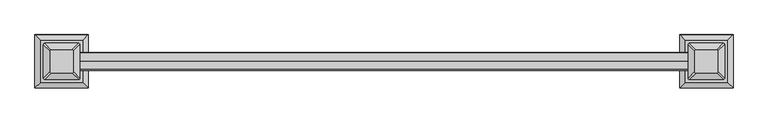
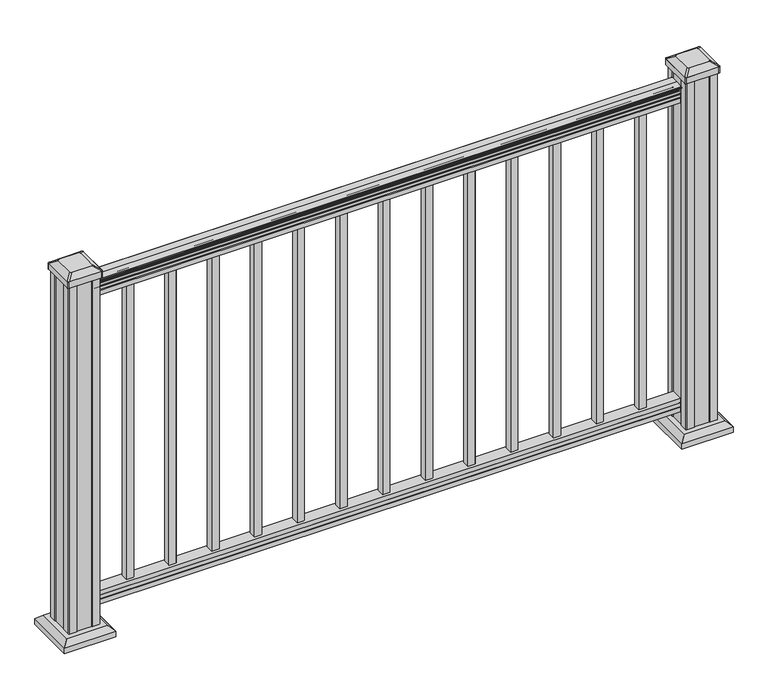
"""IFC4 building model written with IfcOpenShell, lengths in millimetres: railing geometry."""

from ifc_helpers import new_model, si_unit, point, frame, frame_2d, origin, origin_with_axes, place, context, project, spatial, polyline, circle_curve, trimmed, segment, composite_curve, outline, extrude, faceted_brep, source, transform, mapped, element, save
from ifc_brep_helpers import plane_surface, cylinder_surface, revolved_surface, extruded_surface, advanced_brep


def railing_79ebd47e(model_context):
    return source(origin(), model_context, "Body", "SolidModel", [
        advanced_brep(
        [(17656.2111611, 4568.1559745, 938.4043297), (17656.2111611, 4565.5821458, 938.4043297), (17656.2111611, 4565.5821458, 927.747013), (17656.2111611, 4566.5981458, 926.731013), (17656.2111611, 4566.5981458, 914.4), (17656.2111611, 4534.8481458, 914.4), (17656.2111611, 4534.8481458, 926.8888283), (17656.2111611, 4535.8641458, 927.9048283), (17656.2111611, 4535.8641458, 938.4043297), (17656.2111611, 4533.2903171, 938.4043297), (17656.2111611, 4533.2903171, 940.292412), (17656.2111611, 4532.1601308, 941.8546695), (17656.2111611, 4532.1601308, 949.0726458), (17656.2111611, 4532.8093872, 951.5060812), (17656.2111611, 4530.3093872, 955.8362083), (17656.2111611, 4528.9000447, 957.5157972), (17656.2111611, 4528.4981457, 958.6205318), (17656.2111611, 4528.4981458, 959.9608158), (17656.2111611, 4530.051593, 961.514263), (17656.2111611, 4550.7231458, 961.514263), (17656.2111611, 4571.3946986, 961.514263), (17656.2111611, 4572.9481458, 959.9608158), (17656.2111611, 4572.9481458, 958.6205318), (17656.2111611, 4572.5462469, 957.5157972), (17656.2111611, 4571.1369044, 955.8362083), (17656.2111611, 4568.6369044, 951.5060812), (17656.2111611, 4569.2861608, 949.0726458), (17656.2111611, 4569.2861608, 941.8546695), (17656.2111611, 4568.1559745, 940.292412), (19180.2111611, 4568.1559745, 938.4043297), (19180.2111611, 4568.1559745, 940.292412), (19180.2111611, 4569.2861608, 941.8546695), (19180.2111611, 4569.2861608, 949.0726458), (19180.2111611, 4568.6369044, 951.5060812), (19180.2111611, 4571.1369044, 955.8362083), (19180.2111611, 4572.5462469, 957.5157972), (19180.2111611, 4572.9481459, 958.6205318), (19180.2111611, 4572.9481458, 959.9608158), (19180.2111611, 4571.3946986, 961.514263), (19180.2111611, 4550.7231458, 961.514263), (19180.2111611, 4530.051593, 961.514263), (19180.2111611, 4528.4981458, 959.9608158), (19180.2111611, 4528.4981458, 958.6205318), (19180.2111611, 4528.9000447, 957.5157972), (19180.2111611, 4530.3093872, 955.8362083), (19180.2111611, 4532.8093872, 951.5060812), (19180.2111611, 4532.1601308, 949.0726458), (19180.2111611, 4532.1601308, 941.8546695), (19180.2111611, 4533.2903171, 940.292412), (19180.2111611, 4533.2903171, 938.4043297), (19180.2111611, 4535.8641458, 938.4043297), (19180.2111611, 4535.8641458, 927.9048283), (19180.2111611, 4534.8481458, 926.8888283), (19180.2111611, 4534.8481458, 914.4), (19180.2111611, 4566.5981458, 914.4), (19180.2111611, 4566.5981458, 926.731013), (19180.2111611, 4565.5821458, 927.747013), (19180.2111611, 4565.5821458, 938.4043297)],
        [
            (0, 1, circle_curve(frame((17656.2111611, 4566.8690602, 938.4043297), z_axis=(-1.0, 0.0, 0.0), x_axis=(0.0, -1.0, 0.0)), 1.2869144)),
            (1, 2),
            (2, 3),
            (3, 4),
            (4, 5),
            (5, 6),
            (6, 7),
            (7, 8),
            (8, 9, circle_curve(frame((17656.2111611, 4534.5772314, 938.4043297), z_axis=(-1.0, 0.0, 0.0), x_axis=(0.0, 1.0, 0.0)), 1.2869144)),
            (9, 10),
            (10, 11, circle_curve(frame((17656.2111611, 4539.6050703, 946.0506383), z_axis=(-1.0, 0.0, 0.0), x_axis=(0.0, 1.0, 0.0)), 8.545951)),
            (11, 12, circle_curve(frame((17656.2111611, 4539.1680074, 945.4636577), z_axis=(-1.0, 0.0, 0.0), x_axis=(0.0, 1.0, 0.0)), 7.882584)),
            (12, 13, circle_curve(frame((17656.2111611, 4528.6546832, 951.3112527), z_axis=(1.0, 0.0, 0.0), x_axis=(0.0, 1.0, 0.0)), 4.1592695)),
            (13, 14, circle_curve(frame((17656.2111611, 4527.3673767, 951.2508864), z_axis=(1.0, 0.0, 0.0), x_axis=(0.0, 1.0, 0.0)), 5.4479907)),
            (14, 15, circle_curve(frame((17656.2111611, 4528.6005351, 955.833395), z_axis=(1.0, 0.0, 0.0), x_axis=(0.0, 1.0, 0.0)), 1.7088543)),
            (15, 16, circle_curve(frame((17656.2111611, 4530.2174352, 958.6205318), z_axis=(-1.0, 0.0, 0.0), x_axis=(0.0, 1.0, 0.0)), 1.7192895)),
            (16, 17),
            (17, 18, circle_curve(frame((17656.2111611, 4530.051593, 959.9608158), z_axis=(-1.0, 0.0, 0.0), x_axis=(0.0, 1.0, 0.0)), 1.5534472)),
            (18, 19),
            (19, 20),
            (20, 21, circle_curve(frame((17656.2111611, 4571.3946986, 959.9608158), z_axis=(-1.0, 0.0, 0.0), x_axis=(0.0, -1.0, 0.0)), 1.5534472)),
            (21, 22),
            (22, 23, circle_curve(frame((17656.2111611, 4571.2288564, 958.6205318), z_axis=(-1.0, 0.0, 0.0), x_axis=(0.0, -1.0, 0.0)), 1.7192895)),
            (23, 24, circle_curve(frame((17656.2111611, 4572.8457565, 955.833395), z_axis=(1.0, 0.0, 0.0), x_axis=(0.0, -1.0, 0.0)), 1.7088543)),
            (24, 25, circle_curve(frame((17656.2111611, 4574.0789149, 951.2508864), z_axis=(1.0, 0.0, 0.0), x_axis=(0.0, -1.0, 0.0)), 5.4479907)),
            (25, 26, circle_curve(frame((17656.2111611, 4572.7916083, 951.3112527), z_axis=(1.0, 0.0, 0.0), x_axis=(0.0, -1.0, 0.0)), 4.1592695)),
            (26, 27, circle_curve(frame((17656.2111611, 4562.2782842, 945.4636577), z_axis=(-1.0, 0.0, 0.0), x_axis=(0.0, -1.0, 0.0)), 7.882584)),
            (27, 28, circle_curve(frame((17656.2111611, 4561.8412213, 946.0506383), z_axis=(-1.0, 0.0, 0.0), x_axis=(0.0, -1.0, 0.0)), 8.545951)),
            (28, 0),
            (29, 30),
            (30, 31, circle_curve(frame((19180.2111611, 4561.8412213, 946.0506383), z_axis=(1.0, 0.0, 0.0), x_axis=(0.0, -1.0, 0.0)), 8.545951)),
            (31, 32, circle_curve(frame((19180.2111611, 4562.2782842, 945.4636577), z_axis=(1.0, 0.0, 0.0), x_axis=(0.0, -1.0, 0.0)), 7.882584)),
            (32, 33, circle_curve(frame((19180.2111611, 4572.7916083, 951.3112527), z_axis=(-1.0, 0.0, 0.0), x_axis=(0.0, -1.0, 0.0)), 4.1592695)),
            (33, 34, circle_curve(frame((19180.2111611, 4574.0789149, 951.2508864), z_axis=(-1.0, 0.0, 0.0), x_axis=(0.0, -1.0, 0.0)), 5.4479907)),
            (34, 35, circle_curve(frame((19180.2111611, 4572.8457565, 955.833395), z_axis=(-1.0, 0.0, 0.0), x_axis=(0.0, -1.0, 0.0)), 1.7088543)),
            (35, 36, circle_curve(frame((19180.2111611, 4571.2288564, 958.6205318), z_axis=(1.0, 0.0, 0.0), x_axis=(0.0, -1.0, 0.0)), 1.7192895)),
            (36, 37),
            (37, 38, circle_curve(frame((19180.2111611, 4571.3946986, 959.9608158), z_axis=(1.0, 0.0, 0.0), x_axis=(0.0, -1.0, 0.0)), 1.5534472)),
            (38, 39),
            (39, 40),
            (40, 41, circle_curve(frame((19180.2111611, 4530.051593, 959.9608158), z_axis=(1.0, 0.0, 0.0), x_axis=(0.0, 1.0, 0.0)), 1.5534472)),
            (41, 42),
            (42, 43, circle_curve(frame((19180.2111611, 4530.2174352, 958.6205318), z_axis=(1.0, 0.0, 0.0), x_axis=(0.0, 1.0, 0.0)), 1.7192895)),
            (43, 44, circle_curve(frame((19180.2111611, 4528.6005351, 955.833395), z_axis=(-1.0, 0.0, 0.0), x_axis=(0.0, 1.0, 0.0)), 1.7088543)),
            (44, 45, circle_curve(frame((19180.2111611, 4527.3673767, 951.2508864), z_axis=(-1.0, 0.0, 0.0), x_axis=(0.0, 1.0, 0.0)), 5.4479907)),
            (45, 46, circle_curve(frame((19180.2111611, 4528.6546832, 951.3112527), z_axis=(-1.0, 0.0, 0.0), x_axis=(0.0, 1.0, 0.0)), 4.1592695)),
            (46, 47, circle_curve(frame((19180.2111611, 4539.1680074, 945.4636577), z_axis=(1.0, 0.0, 0.0), x_axis=(0.0, 1.0, 0.0)), 7.882584)),
            (47, 48, circle_curve(frame((19180.2111611, 4539.6050703, 946.0506383), z_axis=(1.0, 0.0, 0.0), x_axis=(0.0, 1.0, 0.0)), 8.545951)),
            (48, 49),
            (49, 50, circle_curve(frame((19180.2111611, 4534.5772314, 938.4043297), z_axis=(1.0, 0.0, 0.0), x_axis=(0.0, 1.0, 0.0)), 1.2869144)),
            (50, 51),
            (51, 52),
            (52, 53),
            (53, 54),
            (54, 55),
            (55, 56),
            (56, 57),
            (57, 29, circle_curve(frame((19180.2111611, 4566.8690602, 938.4043297), z_axis=(1.0, 0.0, 0.0), x_axis=(0.0, -1.0, 0.0)), 1.2869144)),
            (0, 29),
            (57, 1),
            (56, 2),
            (55, 3),
            (54, 4),
            (53, 5),
            (52, 6),
            (51, 7),
            (50, 8),
            (49, 9),
            (48, 10),
            (47, 11),
            (46, 12),
            (45, 13),
            (44, 14),
            (43, 15),
            (42, 16),
            (41, 17),
            (40, 18),
            (39, 19),
            (38, 20),
            (37, 21),
            (36, 22),
            (35, 23),
            (34, 24),
            (33, 25),
            (32, 26),
            (31, 27),
            (30, 28),
        ],
        [
            plane_surface(frame((17656.2111611, 4550.7231458, 914.4), z_axis=(-1.0, 0.0, 0.0), x_axis=(0.0, 1.0, 0.0))),
            plane_surface(frame((19180.2111611, 4550.7231458, 914.4), z_axis=(1.0, 0.0, 0.0), x_axis=(0.0, 1.0, 0.0))),
            cylinder_surface(frame((17656.2111611, 4566.8690602, 938.4043297), z_axis=(-1.0, 0.0, 0.0), x_axis=(0.0, -1.0, 0.0)), 1.2869144),
            plane_surface(frame((17656.2111611, 4565.5821458, 938.4043297), z_axis=(0.0, 1.0, 0.0), x_axis=(1.0, 0.0, 0.0))),
            plane_surface(frame((17656.2111611, 4565.5821458, 927.747013), z_axis=(0.0, 0.7071067811865395, 0.7071067811865556), x_axis=(1.0, 0.0, 0.0))),
            plane_surface(frame((17656.2111611, 4566.5981458, 926.731013), z_axis=(0.0, 1.0, 0.0), x_axis=(1.0, 0.0, 0.0))),
            plane_surface(frame((17656.2111611, 4566.5981458, 914.4), z_axis=(0.0, 0.0, -1.0), x_axis=(1.0, 0.0, 0.0))),
            plane_surface(frame((17656.2111611, 4534.8481458, 914.4), z_axis=(0.0, -1.0, 0.0), x_axis=(1.0, 0.0, 0.0))),
            plane_surface(frame((17656.2111611, 4534.8481458, 926.8888283), z_axis=(0.0, -0.7071067811865432, 0.707106781186552), x_axis=(1.0, 0.0, 0.0))),
            plane_surface(frame((17656.2111611, 4535.8641458, 927.9048283), z_axis=(0.0, -1.0, 0.0), x_axis=(1.0, 0.0, 0.0))),
            cylinder_surface(frame((17656.2111611, 4534.5772314, 938.4043297), z_axis=(-1.0, 0.0, 0.0), x_axis=(0.0, 1.0, 0.0)), 1.2869144),
            plane_surface(frame((17656.2111611, 4533.2903171, 938.4043297), z_axis=(0.0, -1.0, 0.0), x_axis=(1.0, 0.0, 0.0))),
            cylinder_surface(frame((17656.2111611, 4539.6050703, 946.0506383), z_axis=(-1.0, 0.0, 0.0), x_axis=(0.0, 1.0, 0.0)), 8.545951),
            cylinder_surface(frame((17656.2111611, 4539.1680074, 945.4636577), z_axis=(-1.0, 0.0, 0.0), x_axis=(0.0, 1.0, 0.0)), 7.882584),
            revolved_surface(polyline([(19180.2111611, 4532.8139527, 951.3112527), (17656.2111611, 4532.8139527, 951.3112527)]), (17656.2111611, 4528.6546832, 951.3112527), (1.0, 0.0, 0.0)),
            revolved_surface(polyline([(19180.2111611, 4532.8153674000005, 951.2508864), (17656.2111611, 4532.8153674000005, 951.2508864)]), (17656.2111611, 4527.3673767, 951.2508864), (1.0, 0.0, 0.0)),
            revolved_surface(polyline([(19180.2111611, 4530.3093894, 955.833395), (17656.2111611, 4530.3093894, 955.833395)]), (17656.2111611, 4528.6005351, 955.833395), (1.0, 0.0, 0.0)),
            cylinder_surface(frame((17656.2111611, 4530.2174352, 958.6205318), z_axis=(-1.0, 0.0, 0.0), x_axis=(0.0, 1.0, 0.0)), 1.7192895),
            plane_surface(frame((17656.2111611, 4528.4981458, 958.6205318), z_axis=(0.0, -1.0, 0.0), x_axis=(1.0, 0.0, 0.0))),
            cylinder_surface(frame((17656.2111611, 4530.051593, 959.9608158), z_axis=(-1.0, 0.0, 0.0), x_axis=(0.0, 1.0, 0.0)), 1.5534472),
            plane_surface(frame((17656.2111611, 4530.051593, 961.514263), z_axis=(0.0, 0.0, 1.0), x_axis=(1.0, 0.0, 0.0))),
            plane_surface(frame((17656.2111611, 4550.7231458, 961.514263), z_axis=(0.0, 0.0, 1.0), x_axis=(1.0, 0.0, 0.0))),
            cylinder_surface(frame((17656.2111611, 4571.3946986, 959.9608158), z_axis=(-1.0, 0.0, 0.0), x_axis=(0.0, -1.0, 0.0)), 1.5534472),
            plane_surface(frame((17656.2111611, 4572.9481458, 959.9608158), z_axis=(0.0, 1.0, 0.0), x_axis=(1.0, 0.0, 0.0))),
            cylinder_surface(frame((17656.2111611, 4571.2288564, 958.6205318), z_axis=(-1.0, 0.0, 0.0), x_axis=(0.0, -1.0, 0.0)), 1.7192895),
            revolved_surface(polyline([(19180.2111611, 4571.1369022, 955.833395), (17656.2111611, 4571.1369022, 955.833395)]), (17656.2111611, 4572.8457565, 955.833395), (1.0, 0.0, 0.0)),
            revolved_surface(polyline([(19180.2111611, 4568.6309242, 951.2508864), (17656.2111611, 4568.6309242, 951.2508864)]), (17656.2111611, 4574.0789149, 951.2508864), (1.0, 0.0, 0.0)),
            revolved_surface(polyline([(19180.2111611, 4568.6323388, 951.3112527), (17656.2111611, 4568.6323388, 951.3112527)]), (17656.2111611, 4572.7916083, 951.3112527), (1.0, 0.0, 0.0)),
            cylinder_surface(frame((17656.2111611, 4562.2782842, 945.4636577), z_axis=(-1.0, 0.0, 0.0), x_axis=(0.0, -1.0, 0.0)), 7.882584),
            cylinder_surface(frame((17656.2111611, 4561.8412213, 946.0506383), z_axis=(-1.0, 0.0, 0.0), x_axis=(0.0, -1.0, 0.0)), 8.545951),
            plane_surface(frame((17656.2111611, 4568.1559745, 940.292412), z_axis=(0.0, 1.0, 0.0), x_axis=(1.0, 0.0, 0.0))),
        ],
        [
            (0, [[1, 2, 3, 4, 5, 6, 7, 8, 9, 10, 11, 12, 13, 14, 15, 16, 17, 18, 19, 20, 21, 22, 23, 24, 25, 26, 27, 28, 29]]),
            (1, [[30, 31, 32, 33, 34, 35, 36, 37, 38, 39, 40, 41, 42, 43, 44, 45, 46, 47, 48, 49, 50, 51, 52, 53, 54, 55, 56, 57, 58]]),
            (2, [[-1, 59, -58, 60]]),
            (3, [[-2, -60, -57, 61]]),
            (4, [[-3, -61, -56, 62]]),
            (5, [[-4, -62, -55, 63]]),
            (6, [[-5, -63, -54, 64]]),
            (7, [[-6, -64, -53, 65]]),
            (8, [[-7, -65, -52, 66]]),
            (9, [[-8, -66, -51, 67]]),
            (10, [[-9, -67, -50, 68]]),
            (11, [[-10, -68, -49, 69]]),
            (12, [[-11, -69, -48, 70]]),
            (13, [[-12, -70, -47, 71]]),
            (14, [[-13, -71, -46, 72]]),
            (15, [[-14, -72, -45, 73]]),
            (16, [[-15, -73, -44, 74]]),
            (17, [[-16, -74, -43, 75]]),
            (18, [[-17, -75, -42, 76]]),
            (19, [[-18, -76, -41, 77]]),
            (20, [[-19, -77, -40, 78]]),
            (21, [[-20, -78, -39, 79]]),
            (22, [[-21, -79, -38, 80]]),
            (23, [[-22, -80, -37, 81]]),
            (24, [[-23, -81, -36, 82]]),
            (25, [[-24, -82, -35, 83]]),
            (26, [[-25, -83, -34, 84]]),
            (27, [[-26, -84, -33, 85]]),
            (28, [[-27, -85, -32, 86]]),
            (29, [[-28, -86, -31, 87]]),
            (30, [[-29, -87, -30, -59]]),
        ],
    ),
        faceted_brep([(17656.2111611, 4566.6356327, 76.0541976), (17656.2111611, 4566.6356327, 63.5), (17656.2111611, 4534.8856327, 63.5), (17656.2111611, 4534.8856327, 76.0375508), (17656.2111611, 4535.9016327, 77.3858283), (17656.2111611, 4535.9016327, 87.6975248), (17656.2111611, 4534.8856327, 89.0458024), (17656.2111611, 4534.8856327, 101.5958781), (17656.2111611, 4566.6356327, 101.5958781), (17656.2111611, 4566.6356327, 89.0624492), (17656.2111611, 4565.6196327, 87.7141717), (17656.2111611, 4565.6196327, 77.3546183), (19180.2111611, 4566.6356327, 76.0541976), (19180.2111611, 4565.6196327, 77.3546183), (19180.2111611, 4565.6196327, 87.7141717), (19180.2111611, 4566.6356327, 89.0624492), (19180.2111611, 4566.6356327, 101.5958781), (19180.2111611, 4534.8856327, 101.5958781), (19180.2111611, 4534.8856327, 89.0458024), (19180.2111611, 4535.9016327, 87.6975248), (19180.2111611, 4535.9016327, 77.3858283), (19180.2111611, 4534.8856327, 76.0375508), (19180.2111611, 4534.8856327, 63.5), (19180.2111611, 4566.6356327, 63.5)], [[[0, 1, 2, 3, 4, 5, 6, 7, 8, 9, 10, 11]], [[12, 13, 14, 15, 16, 17, 18, 19, 20, 21, 22, 23]], [[1, 0, 12, 23]], [[2, 1, 23, 22]], [[3, 2, 22, 21]], [[4, 3, 21, 20]], [[5, 4, 20, 19]], [[6, 5, 19, 18]], [[7, 6, 18, 17]], [[8, 7, 17, 16]], [[9, 8, 16, 15]], [[10, 9, 15, 14]], [[11, 10, 14, 13]], [[0, 11, 13, 12]]]),
        extrude(outline(polyline([(19075.6345986, 4560.2481458), (19094.6845986, 4560.2481458), (19094.6845986, 4541.1981458), (19075.6345986, 4541.1981458), (19075.6345986, 4560.2481458)]), holes=[polyline([(19076.0314736, 4559.8512708), (19076.0314736, 4541.5950208), (19094.2877236, 4541.5950208), (19094.2877236, 4559.8512708), (19076.0314736, 4559.8512708)])]), frame((0.0, 0.0, 101.5958781), z_axis=(0.0, 0.0, 1.0), x_axis=(1.0, 0.0, 0.0)), (0.0, 0.0, 1.0), 812.8041219),
        extrude(outline(polyline([(18964.5095986, 4560.2481458), (18983.5595986, 4560.2481458), (18983.5595986, 4541.1981458), (18964.5095986, 4541.1981458), (18964.5095986, 4560.2481458)]), holes=[polyline([(18964.9064736, 4559.8512708), (18964.9064736, 4541.5950208), (18983.1627236, 4541.5950208), (18983.1627236, 4559.8512708), (18964.9064736, 4559.8512708)])]), frame((0.0, 0.0, 101.5958781), z_axis=(0.0, 0.0, 1.0), x_axis=(1.0, 0.0, 0.0)), (0.0, 0.0, 1.0), 812.8041219),
        extrude(outline(polyline([(18853.3845986, 4560.2481458), (18872.4345986, 4560.2481458), (18872.4345986, 4541.1981458), (18853.3845986, 4541.1981458), (18853.3845986, 4560.2481458)]), holes=[polyline([(18853.7814736, 4559.8512708), (18853.7814736, 4541.5950208), (18872.0377236, 4541.5950208), (18872.0377236, 4559.8512708), (18853.7814736, 4559.8512708)])]), frame((0.0, 0.0, 101.5958781), z_axis=(0.0, 0.0, 1.0), x_axis=(1.0, 0.0, 0.0)), (0.0, 0.0, 1.0), 812.8041219),
        extrude(outline(polyline([(18742.2595986, 4560.2481458), (18761.3095986, 4560.2481458), (18761.3095986, 4541.1981458), (18742.2595986, 4541.1981458), (18742.2595986, 4560.2481458)]), holes=[polyline([(18742.6564736, 4559.8512708), (18742.6564736, 4541.5950208), (18760.9127236, 4541.5950208), (18760.9127236, 4559.8512708), (18742.6564736, 4559.8512708)])]), frame((0.0, 0.0, 101.5958781), z_axis=(0.0, 0.0, 1.0), x_axis=(1.0, 0.0, 0.0)), (0.0, 0.0, 1.0), 812.8041219),
        extrude(outline(polyline([(18631.1345986, 4560.2481458), (18650.1845986, 4560.2481458), (18650.1845986, 4541.1981458), (18631.1345986, 4541.1981458), (18631.1345986, 4560.2481458)]), holes=[polyline([(18631.5314736, 4559.8512708), (18631.5314736, 4541.5950208), (18649.7877236, 4541.5950208), (18649.7877236, 4559.8512708), (18631.5314736, 4559.8512708)])]), frame((0.0, 0.0, 101.5958781), z_axis=(0.0, 0.0, 1.0), x_axis=(1.0, 0.0, 0.0)), (0.0, 0.0, 1.0), 812.8041219),
        extrude(outline(polyline([(18520.0095986, 4560.2481458), (18539.0595986, 4560.2481458), (18539.0595986, 4541.1981458), (18520.0095986, 4541.1981458), (18520.0095986, 4560.2481458)]), holes=[polyline([(18520.4064736, 4559.8512708), (18520.4064736, 4541.5950208), (18538.6627236, 4541.5950208), (18538.6627236, 4559.8512708), (18520.4064736, 4559.8512708)])]), frame((0.0, 0.0, 101.5958781), z_axis=(0.0, 0.0, 1.0), x_axis=(1.0, 0.0, 0.0)), (0.0, 0.0, 1.0), 812.8041219),
        extrude(outline(polyline([(18408.8845986, 4560.2481458), (18427.9345986, 4560.2481458), (18427.9345986, 4541.1981458), (18408.8845986, 4541.1981458), (18408.8845986, 4560.2481458)]), holes=[polyline([(18409.2814736, 4559.8512708), (18409.2814736, 4541.5950208), (18427.5377236, 4541.5950208), (18427.5377236, 4559.8512708), (18409.2814736, 4559.8512708)])]), frame((0.0, 0.0, 101.5958781), z_axis=(0.0, 0.0, 1.0), x_axis=(1.0, 0.0, 0.0)), (0.0, 0.0, 1.0), 812.8041219),
        extrude(outline(polyline([(18297.7595986, 4560.2481458), (18316.8095986, 4560.2481458), (18316.8095986, 4541.1981458), (18297.7595986, 4541.1981458), (18297.7595986, 4560.2481458)]), holes=[polyline([(18298.1564736, 4559.8512708), (18298.1564736, 4541.5950208), (18316.4127236, 4541.5950208), (18316.4127236, 4559.8512708), (18298.1564736, 4559.8512708)])]), frame((0.0, 0.0, 101.5958781), z_axis=(0.0, 0.0, 1.0), x_axis=(1.0, 0.0, 0.0)), (0.0, 0.0, 1.0), 812.8041219),
        extrude(outline(polyline([(18186.6345986, 4560.2481458), (18205.6845986, 4560.2481458), (18205.6845986, 4541.1981458), (18186.6345986, 4541.1981458), (18186.6345986, 4560.2481458)]), holes=[polyline([(18187.0314736, 4559.8512708), (18187.0314736, 4541.5950208), (18205.2877236, 4541.5950208), (18205.2877236, 4559.8512708), (18187.0314736, 4559.8512708)])]), frame((0.0, 0.0, 101.5958781), z_axis=(0.0, 0.0, 1.0), x_axis=(1.0, 0.0, 0.0)), (0.0, 0.0, 1.0), 812.8041219),
        extrude(outline(polyline([(18075.5095986, 4560.2481458), (18094.5595986, 4560.2481458), (18094.5595986, 4541.1981458), (18075.5095986, 4541.1981458), (18075.5095986, 4560.2481458)]), holes=[polyline([(18075.9064736, 4559.8512708), (18075.9064736, 4541.5950208), (18094.1627236, 4541.5950208), (18094.1627236, 4559.8512708), (18075.9064736, 4559.8512708)])]), frame((0.0, 0.0, 101.5958781), z_axis=(0.0, 0.0, 1.0), x_axis=(1.0, 0.0, 0.0)), (0.0, 0.0, 1.0), 812.8041219),
        extrude(outline(polyline([(17964.3845986, 4560.2481458), (17983.4345986, 4560.2481458), (17983.4345986, 4541.1981458), (17964.3845986, 4541.1981458), (17964.3845986, 4560.2481458)]), holes=[polyline([(17964.7814736, 4559.8512708), (17964.7814736, 4541.5950208), (17983.0377236, 4541.5950208), (17983.0377236, 4559.8512708), (17964.7814736, 4559.8512708)])]), frame((0.0, 0.0, 101.5958781), z_axis=(0.0, 0.0, 1.0), x_axis=(1.0, 0.0, 0.0)), (0.0, 0.0, 1.0), 812.8041219),
        extrude(outline(polyline([(17853.2595986, 4560.2481458), (17872.3095986, 4560.2481458), (17872.3095986, 4541.1981458), (17853.2595986, 4541.1981458), (17853.2595986, 4560.2481458)]), holes=[polyline([(17853.6564736, 4559.8512708), (17853.6564736, 4541.5950208), (17871.9127236, 4541.5950208), (17871.9127236, 4559.8512708), (17853.6564736, 4559.8512708)])]), frame((0.0, 0.0, 101.5958781), z_axis=(0.0, 0.0, 1.0), x_axis=(1.0, 0.0, 0.0)), (0.0, 0.0, 1.0), 812.8041219),
        extrude(outline(polyline([(17742.1345986, 4560.2481458), (17761.1845986, 4560.2481458), (17761.1845986, 4541.1981458), (17742.1345986, 4541.1981458), (17742.1345986, 4560.2481458)]), holes=[polyline([(17742.5314736, 4559.8512708), (17742.5314736, 4541.5950208), (17760.7877236, 4541.5950208), (17760.7877236, 4559.8512708), (17742.5314736, 4559.8512708)])]), frame((0.0, 0.0, 101.5958781), z_axis=(0.0, 0.0, 1.0), x_axis=(1.0, 0.0, 0.0)), (0.0, 0.0, 1.0), 812.8041219),
        faceted_brep([(19168.9002236, 4603.3090833, 28.575), (19168.9002236, 4498.1372083, 28.575), (19274.0720986, 4498.1372083, 28.575), (19274.0720986, 4603.3090833, 28.575), (19154.8607704, 4617.3485364, 15.24), (19288.1115517, 4617.3485364, 15.24), (19288.1115517, 4484.0977552, 15.24), (19154.8607704, 4484.0977552, 15.24)], [[[0, 1, 2, 3]], [[4, 5, 6, 7]], [[4, 7, 1, 0]], [[7, 6, 2, 1]], [[6, 5, 3, 2]], [[5, 4, 0, 3]]]),
        extrude(outline(polyline([(19154.8607704, 4617.3485364), (19288.1115517, 4617.3485364), (19288.1115517, 4484.0977552), (19154.8607704, 4484.0977552), (19154.8607704, 4617.3485364)])), origin_with_axes(), (0.0, 0.0, 1.0), 15.24),
        advanced_brep(
        [(19192.5142861, 4524.9262708, 1012.825), (19195.6892861, 4521.7512708, 1012.825), (19247.2830361, 4521.7512708, 1012.825), (19250.4580361, 4524.9262708, 1012.825), (19250.4580361, 4576.5200208, 1012.825), (19247.2830361, 4579.6950208, 1012.825), (19195.6892861, 4579.6950208, 1012.825), (19192.5142861, 4576.5200208, 1012.825), (19176.2424111, 4508.6543958, 1001.522), (19176.2424111, 4592.7918958, 1001.522), (19179.4174111, 4595.9668958, 1001.522), (19263.5549111, 4595.9668958, 1001.522), (19266.7299111, 4592.7918958, 1001.522), (19266.7299111, 4508.6543958, 1001.522), (19263.5549111, 4505.4793958, 1001.522), (19179.4174111, 4505.4793958, 1001.522)],
        [
            (0, 1, circle_curve(frame((19195.6892861, 4524.9262708, 1012.825), z_axis=(0.0, 0.0, 1.0), x_axis=(1.0, 0.0, 0.0)), 3.175)),
            (1, 2),
            (2, 3, circle_curve(frame((19247.2830361, 4524.9262708, 1012.825), z_axis=(0.0, 0.0, 1.0), x_axis=(1.0, 0.0, 0.0)), 3.175)),
            (3, 4),
            (4, 5, circle_curve(frame((19247.2830361, 4576.5200208, 1012.825), z_axis=(0.0, 0.0, 1.0), x_axis=(1.0, 0.0, 0.0)), 3.175)),
            (5, 6),
            (6, 7, circle_curve(frame((19195.6892861, 4576.5200208, 1012.825), z_axis=(0.0, 0.0, 1.0), x_axis=(1.0, 0.0, 0.0)), 3.175)),
            (7, 0),
            (8, 9),
            (9, 10, circle_curve(frame((19179.4174111, 4592.7918958, 1001.522), z_axis=(0.0, 0.0, -1.0), x_axis=(1.0, 0.0, 0.0)), 3.175)),
            (10, 11),
            (11, 12, circle_curve(frame((19263.5549111, 4592.7918958, 1001.522), z_axis=(0.0, 0.0, -1.0), x_axis=(1.0, 0.0, 0.0)), 3.175)),
            (12, 13),
            (13, 14, circle_curve(frame((19263.5549111, 4508.6543958, 1001.522), z_axis=(0.0, 0.0, -1.0), x_axis=(1.0, 0.0, 0.0)), 3.175)),
            (14, 15),
            (15, 8, circle_curve(frame((19179.4174111, 4508.6543958, 1001.522), z_axis=(0.0, 0.0, -1.0), x_axis=(1.0, 0.0, 0.0)), 3.175)),
            (15, 1),
            (0, 8),
            (14, 2),
            (13, 3),
            (12, 4),
            (11, 5),
            (10, 6),
            (9, 7),
        ],
        [
            plane_surface(frame((19221.4861611, 4550.7231458, 1012.825), z_axis=(0.0, 0.0, 1.0), x_axis=(0.0, -1.0, 0.0))),
            plane_surface(frame((19221.4861611, 4550.7231458, 1001.522), z_axis=(0.0, 0.0, -1.0), x_axis=(0.0, -1.0, 0.0))),
            extruded_surface(trimmed(circle_curve(frame((19179.4174111, 4508.6543958, 1001.522), z_axis=(0.0, 0.0, 1.0), x_axis=(1.0, 0.0, 0.0)), 3.175), [point((19176.2424111, 4508.6543958, 1001.522))], [point((19179.4174111, 4505.4793958, 1001.522))], True, "CARTESIAN"), (16.271875000002183, 16.271874999999454, 11.302999999999997), 25.6379726388672),
            plane_surface(frame((19221.4861611, 4505.4793958, 1001.522), z_axis=(0.0, -0.5705009161540779, 0.8212969649690408), x_axis=(1.0, 0.0, 0.0))),
            extruded_surface(trimmed(circle_curve(frame((19263.5549111, 4508.6543958, 1001.522), z_axis=(0.0, 0.0, 1.0), x_axis=(1.0, 0.0, 0.0)), 3.175), [point((19263.5549111, 4505.4793958, 1001.522))], [point((19266.7299111, 4508.6543958, 1001.522))], True, "CARTESIAN"), (-16.271874999998545, 16.271874999999454, 11.302999999999997), 25.63797263886489),
            plane_surface(frame((19266.7299111, 4550.7231458, 1001.522), z_axis=(0.5705009161540291, 0.0, 0.8212969649690747), x_axis=(0.0, 1.0, 0.0))),
            extruded_surface(trimmed(circle_curve(frame((19263.5549111, 4592.7918958, 1001.522), z_axis=(0.0, 0.0, 1.0), x_axis=(1.0, 0.0, 0.0)), 3.175), [point((19266.7299111, 4592.7918958, 1001.522))], [point((19263.5549111, 4595.9668958, 1001.522))], True, "CARTESIAN"), (-16.271874999998545, -16.271875000000364, 11.302999999999997), 25.637972638865467),
            plane_surface(frame((19221.4861611, 4595.9668958, 1001.522), z_axis=(0.0, 0.5705009161540141, 0.8212969649690851), x_axis=(-1.0, 0.0, 0.0))),
            extruded_surface(trimmed(circle_curve(frame((19179.4174111, 4592.7918958, 1001.522), z_axis=(0.0, 0.0, 1.0), x_axis=(1.0, 0.0, 0.0)), 3.175), [point((19179.4174111, 4595.9668958, 1001.522))], [point((19176.2424111, 4592.7918958, 1001.522))], True, "CARTESIAN"), (16.271875000002183, -16.271875000000364, 11.302999999999997), 25.63797263886778),
            plane_surface(frame((19176.2424111, 4550.7231458, 1001.522), z_axis=(-0.570500916154034, 0.0, 0.8212969649690713), x_axis=(0.0, -1.0, 0.0))),
        ],
        [
            (0, [[1, 2, 3, 4, 5, 6, 7, 8]]),
            (1, [[9, 10, 11, 12, 13, 14, 15, 16]]),
            (2, [[-16, 17, -1, 18]]),
            (3, [[-15, 19, -2, -17]]),
            (4, [[-14, 20, -3, -19]]),
            (5, [[-13, 21, -4, -20]]),
            (6, [[-12, 22, -5, -21]]),
            (7, [[-11, 23, -6, -22]]),
            (8, [[-10, 24, -7, -23]]),
            (9, [[-9, -18, -8, -24]]),
        ],
    ),
        extrude(outline(composite_curve([segment(polyline([(19176.2424111, 4508.6543958), (19176.2424111, 4592.7918958)]), True, "CONTINUOUS"), segment(trimmed(circle_curve(frame_2d((19179.4174111, 4592.7918958)), 3.175), [point((19176.2424111, 4592.7918958))], [point((19179.4174111, 4595.9668958))], False, "CARTESIAN"), True, "CONTINUOUS"), segment(polyline([(19179.4174111, 4595.9668958), (19263.5549111, 4595.9668958)]), True, "CONTINUOUS"), segment(trimmed(circle_curve(frame_2d((19263.5549111, 4592.7918958)), 3.175), [point((19263.5549111, 4595.9668958))], [point((19266.7299111, 4592.7918958))], False, "CARTESIAN"), True, "CONTINUOUS"), segment(polyline([(19266.7299111, 4592.7918958), (19266.7299111, 4508.6543958)]), True, "CONTINUOUS"), segment(trimmed(circle_curve(frame_2d((19263.5549111, 4508.6543958)), 3.175), [point((19266.7299111, 4508.6543958))], [point((19263.5549111, 4505.4793958))], False, "CARTESIAN"), True, "CONTINUOUS"), segment(polyline([(19263.5549111, 4505.4793958), (19179.4174111, 4505.4793958)]), True, "CONTINUOUS"), segment(trimmed(circle_curve(frame_2d((19179.4174111, 4508.6543958)), 3.175), [point((19179.4174111, 4505.4793958))], [point((19176.2424111, 4508.6543958))], False, "CARTESIAN"), True, "CONTINUOUS")], self_intersect=False)), frame((0.0, 0.0, 984.25), z_axis=(0.0, 0.0, 1.0), x_axis=(1.0, 0.0, 0.0)), (0.0, 0.0, 1.0), 17.272),
        extrude(outline(polyline([(19180.2111611, 4511.0356458), (19180.2111611, 4530.6571458), (19181.7986611, 4531.4191458), (19181.7986611, 4570.0271458), (19180.2111611, 4570.7891458), (19180.2111611, 4590.4106458), (19181.7986611, 4591.9981458), (19201.4201611, 4591.9981458), (19202.1821611, 4590.4106458), (19240.7901611, 4590.4106458), (19241.5521611, 4591.9981458), (19261.1736611, 4591.9981458), (19262.7611611, 4590.4106458), (19262.7611611, 4570.7891458), (19261.1736611, 4570.0271458), (19261.1736611, 4531.4191458), (19262.7611611, 4530.6571458), (19262.7611611, 4511.0356458), (19261.1736611, 4509.4481458), (19241.5521611, 4509.4481458), (19240.7901611, 4511.0356458), (19202.1821611, 4511.0356458), (19201.4201611, 4509.4481458), (19181.7986611, 4509.4481458), (19180.2111611, 4511.0356458)])), origin_with_axes(), (0.0, 0.0, 1.0), 984.25),
        faceted_brep([(17562.3502236, 4603.3090833, 28.575), (17562.3502236, 4498.1372083, 28.575), (17667.5220986, 4498.1372083, 28.575), (17667.5220986, 4603.3090833, 28.575), (17548.3107704, 4617.3485364, 15.24), (17681.5615517, 4617.3485364, 15.24), (17681.5615517, 4484.0977552, 15.24), (17548.3107704, 4484.0977552, 15.24)], [[[0, 1, 2, 3]], [[4, 5, 6, 7]], [[4, 7, 1, 0]], [[7, 6, 2, 1]], [[6, 5, 3, 2]], [[5, 4, 0, 3]]]),
        extrude(outline(polyline([(17548.3107704, 4617.3485364), (17681.5615517, 4617.3485364), (17681.5615517, 4484.0977552), (17548.3107704, 4484.0977552), (17548.3107704, 4617.3485364)])), origin_with_axes(), (0.0, 0.0, 1.0), 15.24),
        advanced_brep(
        [(17585.9642861, 4524.9262708, 1012.825), (17589.1392861, 4521.7512708, 1012.825), (17640.7330361, 4521.7512708, 1012.825), (17643.9080361, 4524.9262708, 1012.825), (17643.9080361, 4576.5200208, 1012.825), (17640.7330361, 4579.6950208, 1012.825), (17589.1392861, 4579.6950208, 1012.825), (17585.9642861, 4576.5200208, 1012.825), (17569.6924111, 4508.6543958, 1001.522), (17569.6924111, 4592.7918958, 1001.522), (17572.8674111, 4595.9668958, 1001.522), (17657.0049111, 4595.9668958, 1001.522), (17660.1799111, 4592.7918958, 1001.522), (17660.1799111, 4508.6543958, 1001.522), (17657.0049111, 4505.4793958, 1001.522), (17572.8674111, 4505.4793958, 1001.522)],
        [
            (0, 1, circle_curve(frame((17589.1392861, 4524.9262708, 1012.825), z_axis=(0.0, 0.0, 1.0), x_axis=(1.0, 0.0, 0.0)), 3.175)),
            (1, 2),
            (2, 3, circle_curve(frame((17640.7330361, 4524.9262708, 1012.825), z_axis=(0.0, 0.0, 1.0), x_axis=(1.0, 0.0, 0.0)), 3.175)),
            (3, 4),
            (4, 5, circle_curve(frame((17640.7330361, 4576.5200208, 1012.825), z_axis=(0.0, 0.0, 1.0), x_axis=(1.0, 0.0, 0.0)), 3.175)),
            (5, 6),
            (6, 7, circle_curve(frame((17589.1392861, 4576.5200208, 1012.825), z_axis=(0.0, 0.0, 1.0), x_axis=(1.0, 0.0, 0.0)), 3.175)),
            (7, 0),
            (8, 9),
            (9, 10, circle_curve(frame((17572.8674111, 4592.7918958, 1001.522), z_axis=(0.0, 0.0, -1.0), x_axis=(1.0, 0.0, 0.0)), 3.175)),
            (10, 11),
            (11, 12, circle_curve(frame((17657.0049111, 4592.7918958, 1001.522), z_axis=(0.0, 0.0, -1.0), x_axis=(1.0, 0.0, 0.0)), 3.175)),
            (12, 13),
            (13, 14, circle_curve(frame((17657.0049111, 4508.6543958, 1001.522), z_axis=(0.0, 0.0, -1.0), x_axis=(1.0, 0.0, 0.0)), 3.175)),
            (14, 15),
            (15, 8, circle_curve(frame((17572.8674111, 4508.6543958, 1001.522), z_axis=(0.0, 0.0, -1.0), x_axis=(1.0, 0.0, 0.0)), 3.175)),
            (15, 1),
            (0, 8),
            (14, 2),
            (13, 3),
            (12, 4),
            (11, 5),
            (10, 6),
            (9, 7),
        ],
        [
            plane_surface(frame((17614.9361611, 4550.7231458, 1012.825), z_axis=(0.0, 0.0, 1.0), x_axis=(0.0, -1.0, 0.0))),
            plane_surface(frame((17614.9361611, 4550.7231458, 1001.522), z_axis=(0.0, 0.0, -1.0), x_axis=(0.0, -1.0, 0.0))),
            extruded_surface(trimmed(circle_curve(frame((17572.8674111, 4508.6543958, 1001.522), z_axis=(0.0, 0.0, 1.0), x_axis=(1.0, 0.0, 0.0)), 3.175), [point((17569.6924111, 4508.6543958, 1001.522))], [point((17572.8674111, 4505.4793958, 1001.522))], True, "CARTESIAN"), (16.271874999998545, 16.271874999999454, 11.302999999999997), 25.63797263886489),
            plane_surface(frame((17614.9361611, 4505.4793958, 1001.522), z_axis=(0.0, -0.5705009161540779, 0.8212969649690408), x_axis=(1.0, 0.0, 0.0))),
            extruded_surface(trimmed(circle_curve(frame((17657.0049111, 4508.6543958, 1001.522), z_axis=(0.0, 0.0, 1.0), x_axis=(1.0, 0.0, 0.0)), 3.175), [point((17657.0049111, 4505.4793958, 1001.522))], [point((17660.1799111, 4508.6543958, 1001.522))], True, "CARTESIAN"), (-16.271875000002183, 16.271874999999454, 11.302999999999997), 25.6379726388672),
            plane_surface(frame((17660.1799111, 4550.7231458, 1001.522), z_axis=(0.5705009161540291, 0.0, 0.8212969649690747), x_axis=(0.0, 1.0, 0.0))),
            extruded_surface(trimmed(circle_curve(frame((17657.0049111, 4592.7918958, 1001.522), z_axis=(0.0, 0.0, 1.0), x_axis=(1.0, 0.0, 0.0)), 3.175), [point((17660.1799111, 4592.7918958, 1001.522))], [point((17657.0049111, 4595.9668958, 1001.522))], True, "CARTESIAN"), (-16.271875000002183, -16.271875000000364, 11.302999999999997), 25.63797263886778),
            plane_surface(frame((17614.9361611, 4595.9668958, 1001.522), z_axis=(0.0, 0.5705009161540141, 0.8212969649690851), x_axis=(-1.0, 0.0, 0.0))),
            extruded_surface(trimmed(circle_curve(frame((17572.8674111, 4592.7918958, 1001.522), z_axis=(0.0, 0.0, 1.0), x_axis=(1.0, 0.0, 0.0)), 3.175), [point((17572.8674111, 4595.9668958, 1001.522))], [point((17569.6924111, 4592.7918958, 1001.522))], True, "CARTESIAN"), (16.271874999998545, -16.271875000000364, 11.302999999999997), 25.637972638865467),
            plane_surface(frame((17569.6924111, 4550.7231458, 1001.522), z_axis=(-0.570500916154034, 0.0, 0.8212969649690713), x_axis=(0.0, -1.0, 0.0))),
        ],
        [
            (0, [[1, 2, 3, 4, 5, 6, 7, 8]]),
            (1, [[9, 10, 11, 12, 13, 14, 15, 16]]),
            (2, [[-16, 17, -1, 18]]),
            (3, [[-15, 19, -2, -17]]),
            (4, [[-14, 20, -3, -19]]),
            (5, [[-13, 21, -4, -20]]),
            (6, [[-12, 22, -5, -21]]),
            (7, [[-11, 23, -6, -22]]),
            (8, [[-10, 24, -7, -23]]),
            (9, [[-9, -18, -8, -24]]),
        ],
    ),
        extrude(outline(composite_curve([segment(polyline([(17569.6924111, 4508.6543958), (17569.6924111, 4592.7918958)]), True, "CONTINUOUS"), segment(trimmed(circle_curve(frame_2d((17572.8674111, 4592.7918958)), 3.175), [point((17569.6924111, 4592.7918958))], [point((17572.8674111, 4595.9668958))], False, "CARTESIAN"), True, "CONTINUOUS"), segment(polyline([(17572.8674111, 4595.9668958), (17657.0049111, 4595.9668958)]), True, "CONTINUOUS"), segment(trimmed(circle_curve(frame_2d((17657.0049111, 4592.7918958)), 3.175), [point((17657.0049111, 4595.9668958))], [point((17660.1799111, 4592.7918958))], False, "CARTESIAN"), True, "CONTINUOUS"), segment(polyline([(17660.1799111, 4592.7918958), (17660.1799111, 4508.6543958)]), True, "CONTINUOUS"), segment(trimmed(circle_curve(frame_2d((17657.0049111, 4508.6543958)), 3.175), [point((17660.1799111, 4508.6543958))], [point((17657.0049111, 4505.4793958))], False, "CARTESIAN"), True, "CONTINUOUS"), segment(polyline([(17657.0049111, 4505.4793958), (17572.8674111, 4505.4793958)]), True, "CONTINUOUS"), segment(trimmed(circle_curve(frame_2d((17572.8674111, 4508.6543958)), 3.175), [point((17572.8674111, 4505.4793958))], [point((17569.6924111, 4508.6543958))], False, "CARTESIAN"), True, "CONTINUOUS")], self_intersect=False)), frame((0.0, 0.0, 984.25), z_axis=(0.0, 0.0, 1.0), x_axis=(1.0, 0.0, 0.0)), (0.0, 0.0, 1.0), 17.272),
        extrude(outline(polyline([(17573.6611611, 4511.0356458), (17573.6611611, 4530.6571458), (17575.2486611, 4531.4191458), (17575.2486611, 4570.0271458), (17573.6611611, 4570.7891458), (17573.6611611, 4590.4106458), (17575.2486611, 4591.9981458), (17594.8701611, 4591.9981458), (17595.6321611, 4590.4106458), (17634.2401611, 4590.4106458), (17635.0021611, 4591.9981458), (17654.6236611, 4591.9981458), (17656.2111611, 4590.4106458), (17656.2111611, 4570.7891458), (17654.6236611, 4570.0271458), (17654.6236611, 4531.4191458), (17656.2111611, 4530.6571458), (17656.2111611, 4511.0356458), (17654.6236611, 4509.4481458), (17635.0021611, 4509.4481458), (17634.2401611, 4511.0356458), (17595.6321611, 4511.0356458), (17594.8701611, 4509.4481458), (17575.2486611, 4509.4481458), (17573.6611611, 4511.0356458)])), origin_with_axes(), (0.0, 0.0, 1.0), 984.25),
    ])


if __name__ == "__main__":
    model = new_model("IFC4")
    model_context = context("Model", 3, world=origin())
    ifc_project = project(units=[si_unit("LENGTHUNIT", "METRE", prefix="MILLI")], contexts=[model_context])
    site = spatial("IfcSite", under=ifc_project)
    building = spatial("IfcBuilding", under=site)
    placement = place(None, origin())
    railing_shape = railing_79ebd47e(model_context)
    element("IfcRailing", 1, at=placement, inside=building, context=model_context, shape_type="MappedRepresentation", body=[
        mapped(railing_shape, transform((0.0, 0.0, 0.0), x_axis=(1.0, 0.0, 0.0), y_axis=(0.0, 1.0, 0.0), z_axis=(0.0, 0.0, 1.0))),
    ])
    save(model, "model.ifc")
